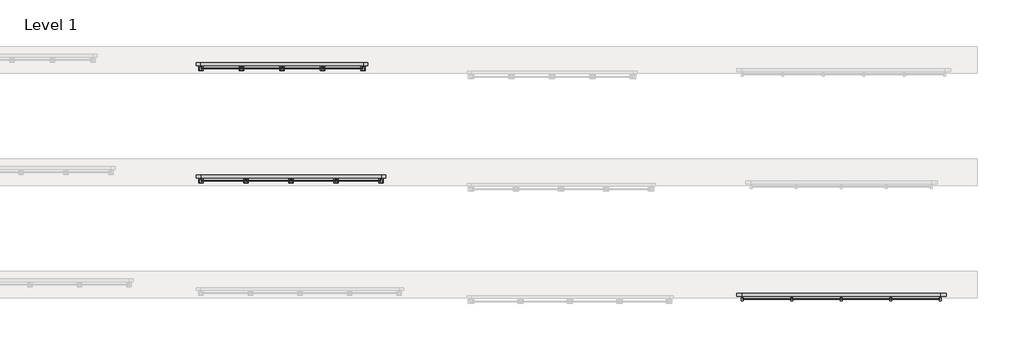
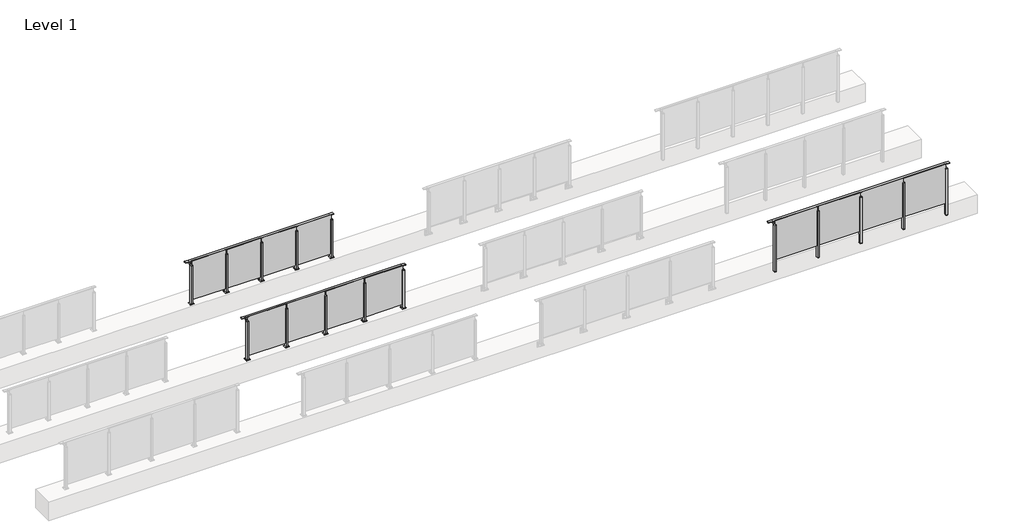
# One storey, part 32 of 37: 3 railings.
"""IFC4 building model written with IfcOpenShell, lengths in millimetres."""

import ifcopenshell
import ifcopenshell.guid

model = None  # the IFC model being written
_history = None  # IfcOwnerHistory: only IFC2X3 demands one
_inside = {}  # id of a spatial element -> (the spatial element, [elements in it])
_under = {}  # id of a project, library or spatial element -> (it, [spatial elements below it])
_declared = {}  # id of a project -> (the project, [libraries it declares])
_typed = {}  # id of a type object -> (the type object, [elements of that type])
_made_of = {}  # id of a material, layer set ... -> (it, [elements and type objects made of it])


def new_model(schema):
    """Start an empty IFC model of exactly this schema.

    Asked for "IFC4X3", IfcOpenShell would pick the latest addendum, in which some entities
    have other attributes; the version numbers below select the first issue.
    IFC2X3 requires an IfcOwnerHistory on every rooted entity: one is made here for all.
    """
    global model, _history
    if schema == "IFC4X3":
        model = ifcopenshell.file(schema_version=(4, 3, 0, 0))
    else:
        model = ifcopenshell.file(schema=schema)
    _inside.clear()
    _under.clear()
    _declared.clear()
    _typed.clear()
    _made_of.clear()
    _history = None
    if model.schema == "IFC2X3":
        org = make("IfcOrganization", Name="unknown")
        user = make(
            "IfcPersonAndOrganization",
            ThePerson=make("IfcPerson", FamilyName="unknown"),
            TheOrganization=org,
        )
        app = make(
            "IfcApplication",
            ApplicationDeveloper=org,
            Version="unknown",
            ApplicationFullName="unknown",
            ApplicationIdentifier="unknown",
        )
        _history = make(
            "IfcOwnerHistory",
            OwningUser=user,
            OwningApplication=app,
            ChangeAction="ADDED",
            CreationDate=0,
        )
    return model


def make(cls, **values):
    """One entity of the class cls with the attributes given. An attribute that is None is left unset."""
    return model.create_entity(
        cls, **{name: value for name, value in values.items() if value is not None}
    )


def rooted(cls, **values):
    """An entity with a GlobalId (a new one), such as an element, a storey or a relation."""
    return make(cls, GlobalId=ifcopenshell.guid.new(), OwnerHistory=_history, **values)


def si_unit(unit_type, name, prefix=None):
    """IfcSIUnit, for example si_unit("LENGTHUNIT", "METRE", prefix="MILLI")."""
    return make("IfcSIUnit", UnitType=unit_type, Prefix=prefix, Name=name)


def assignment(units):
    """IfcUnitAssignment: the units of a project."""
    return None if units is None else make("IfcUnitAssignment", Units=units)


def point(xyz):
    """IfcCartesianPoint."""
    return None if xyz is None else make("IfcCartesianPoint", Coordinates=xyz)


def direction(xyz):
    """IfcDirection."""
    return None if xyz is None else make("IfcDirection", DirectionRatios=xyz)


def frame(location, z_axis=None, x_axis=None):
    """IfcAxis2Placement3D, a coordinate frame: its origin and axes. An axis left out is left unset."""
    return make(
        "IfcAxis2Placement3D",
        Location=point(location),
        Axis=direction(z_axis),
        RefDirection=direction(x_axis),
    )


def frame_2d(location, x_axis=None):
    """IfcAxis2Placement2D, a coordinate frame in the plane: its origin and x axis."""
    return make(
        "IfcAxis2Placement2D", Location=point(location), RefDirection=direction(x_axis)
    )


def origin():
    """The frame at (0, 0, 0) with its axes left unset."""
    return frame((0.0, 0.0, 0.0))


def origin_with_axes():
    """The frame at (0, 0, 0) with the z axis (0, 0, 1) and the x axis (1, 0, 0) written out."""
    return frame((0.0, 0.0, 0.0), z_axis=(0.0, 0.0, 1.0), x_axis=(1.0, 0.0, 0.0))


def place(relative_to, where):
    """IfcLocalPlacement: puts the frame where relative to a parent placement (None: the world)."""
    return make(
        "IfcLocalPlacement", PlacementRelTo=relative_to, RelativePlacement=where
    )


def context(
    kind, dimensions, precision=None, world=None, true_north=None, identifier=None
):
    """IfcGeometricRepresentationContext, for example the 3D "Model" context."""
    return make(
        "IfcGeometricRepresentationContext",
        ContextIdentifier=identifier,
        ContextType=kind,
        CoordinateSpaceDimension=dimensions,
        Precision=precision,
        WorldCoordinateSystem=world,
        TrueNorth=true_north,
    )


def project(units=None, contexts=None):
    """IfcProject with its units and contexts."""
    return rooted(
        "IfcProject",
        Name="project",
        RepresentationContexts=contexts,
        UnitsInContext=assignment(units),
    )


def spatial(cls, under=None, at=None, **own):
    """A site, building, storey or space (cls), placed at a placement, below another one or the project."""
    s = rooted(cls, ObjectPlacement=at, **own)
    if under is not None:
        _under.setdefault(under.id(), (under, []))[1].append(s)
    return s


def polyline(points):
    """IfcPolyline through the points."""
    return make("IfcPolyline", Points=[point(p) for p in points])


def circle_curve(where, radius):
    """IfcCircle in the frame where."""
    return make("IfcCircle", Position=where, Radius=radius)


def trimmed(basis, trim1, trim2, sense, master):
    """IfcTrimmedCurve: the piece of a basis curve between two trims."""
    return make(
        "IfcTrimmedCurve",
        BasisCurve=basis,
        Trim1=trim1,
        Trim2=trim2,
        SenseAgreement=sense,
        MasterRepresentation=master,
    )


def segment(curve, same_sense, transition):
    """IfcCompositeCurveSegment."""
    return make(
        "IfcCompositeCurveSegment",
        Transition=transition,
        SameSense=same_sense,
        ParentCurve=curve,
    )


def composite_curve(segments, self_intersect=None):
    """IfcCompositeCurve: segments joined end to end."""
    return make("IfcCompositeCurve", Segments=segments, SelfIntersect=self_intersect)


def outline(outer, holes=None, kind="AREA"):
    """IfcArbitraryClosedProfileDef: a profile drawn as a closed curve; with holes, ...WithVoids."""
    if holes is None:
        return make("IfcArbitraryClosedProfileDef", ProfileType=kind, OuterCurve=outer)
    return make(
        "IfcArbitraryProfileDefWithVoids",
        ProfileType=kind,
        OuterCurve=outer,
        InnerCurves=holes,
    )


def extrude(swept, where, along, depth):
    """IfcExtrudedAreaSolid: the profile swept, set in the frame where, extruded along a direction by depth."""
    return make(
        "IfcExtrudedAreaSolid",
        SweptArea=swept,
        Position=where,
        ExtrudedDirection=direction(along),
        Depth=depth,
    )


def faces_of(points, faces, orient=None, outer=None):
    """IfcFace entities. A face is a list of loops; a loop is a list of indices into points, from 0.

    orient and outer hold one flag for each loop. By default every Orientation is true, the
    first loop of a face is its IfcFaceOuterBound and the others are IfcFaceBound.
    """
    made = []
    for i, loops in enumerate(faces):
        bounds = []
        for j, loop in enumerate(loops):
            is_outer = j == 0 if outer is None else outer[i][j]
            bounds.append(
                make(
                    "IfcFaceOuterBound" if is_outer else "IfcFaceBound",
                    Bound=make("IfcPolyLoop", Polygon=[points[k] for k in loop]),
                    Orientation=True if orient is None else orient[i][j],
                )
            )
        made.append(make("IfcFace", Bounds=bounds))
    return made


def faceted_brep(points, faces, orient=None, outer=None, voids=None):
    """IfcFacetedBrep: a solid bounded by flat faces; with voids (closed shells), ...WithVoids."""
    shared = [point(p) for p in points]
    hull = make("IfcClosedShell", CfsFaces=faces_of(shared, faces, orient, outer))
    if voids is None:
        return make("IfcFacetedBrep", Outer=hull)
    return make(
        "IfcFacetedBrepWithVoids",
        Outer=hull,
        Voids=[
            make(cls, CfsFaces=faces_of(shared, fs, o, b)) for cls, fs, o, b in voids
        ],
    )


def shape(context_of_items, identifier, shape_type, items):
    """IfcShapeRepresentation: the items that make up one representation, for example the "Body"."""
    return make(
        "IfcShapeRepresentation",
        ContextOfItems=context_of_items,
        RepresentationIdentifier=identifier,
        RepresentationType=shape_type,
        Items=items,
    )


def made_of(thing, what):
    """Note that an element or type object is made of a material, layer set ...; save() writes the relation."""
    if what is not None:
        _made_of.setdefault(what.id(), (what, []))[1].append(thing)
    return thing


def element(
    cls,
    number,
    at=None,
    inside=None,
    cuts=None,
    type_object=None,
    material=None,
    context=None,
    identifier="Body",
    shape_type=None,
    held_by="IfcProductDefinitionShape",
    body=None,
    shapes=None,
    **own,
):
    """One element of the class cls, such as IfcWall. Its Tag is "e" and its number.

    at: its placement. inside: the storey or other place that contains it. cuts: it is an
    opening in that element (IfcRelVoidsElement). A single representation is given by context,
    identifier, shape_type and body (its items); several are given by shapes. held_by: the class
    of the entity that holds the representations. save() writes the other relations.
    """
    e = rooted(cls, Tag="e%d" % number, ObjectPlacement=at, **own)
    if body is not None:
        shapes = [shape(context, identifier, shape_type, body)]
    if shapes is not None:
        e.Representation = make(held_by, Representations=shapes)
    if inside is not None:
        _inside.setdefault(inside.id(), (inside, []))[1].append(e)
    if cuts is not None:
        rooted(
            "IfcRelVoidsElement", RelatingBuildingElement=cuts, RelatedOpeningElement=e
        )
    if type_object is not None:
        _typed.setdefault(type_object.id(), (type_object, []))[1].append(e)
    return made_of(e, material)


def aggregate(whole, parts):
    """IfcRelAggregates: a whole, such as a stair, and the parts it consists of."""
    return rooted("IfcRelAggregates", RelatingObject=whole, RelatedObjects=parts)


def save(model, path):
    """Write the relations noted so far, then the file.

    IfcRelAggregates (storeys below a building ...), IfcRelContainedInSpatialStructure (elements
    in a storey), IfcRelDefinesByType, IfcRelAssociatesMaterial and IfcRelDeclares: one each for
    every whole, place, type object, material and project.
    """
    for whole, parts in _under.values():
        aggregate(whole, parts)
    for where, things in _inside.values():
        rooted(
            "IfcRelContainedInSpatialStructure",
            RelatedElements=things,
            RelatingStructure=where,
        )
    for kind, things in _typed.values():
        rooted("IfcRelDefinesByType", RelatedObjects=things, RelatingType=kind)
    for what, things in _made_of.values():
        rooted("IfcRelAssociatesMaterial", RelatedObjects=things, RelatingMaterial=what)
    for by, libraries in _declared.values():
        rooted("IfcRelDeclares", RelatingContext=by, RelatedDefinitions=libraries)
    model.write(path)


model = new_model("IFC4")

# Units and contexts
model_context = context("Model", 3, world=origin())
ifc_project = project(units=[si_unit("LENGTHUNIT", "METRE", prefix="MILLI")], contexts=[model_context])

# Site, building, storey
site = spatial("IfcSite", under=ifc_project)
building = spatial("IfcBuilding", under=site)
storey = spatial("IfcBuildingStorey", under=building, Name="Level 1", Elevation=0.0)

# Railings
placement = place(None, origin())
element("IfcRailing", 1, at=placement, inside=storey, context=model_context, shape_type="SolidModel", body=[
    faceted_brep([(78027.0, 14993.1846828, 1085.0), (78027.0, 14993.1846828, 1100.0), (82427.0, 14993.1846828, 1100.0), (82427.0, 14993.1846828, 1085.0), (78027.0, 14933.1846828, 1085.0), (82427.0, 14933.1846828, 1085.0), (78027.0, 14933.1846828, 1100.0), (82427.0, 14933.1846828, 1100.0), (77899.5, 14993.1846828, 1100.0), (77899.5, 14993.1846828, 1085.0), (77899.5, 14933.1846828, 1085.0), (77899.5, 14933.1846828, 1100.0), (82554.5, 14993.1846828, 1100.0), (82554.5, 14933.1846828, 1100.0), (82554.5, 14933.1846828, 1085.0), (82554.5, 14993.1846828, 1085.0)], [[[0, 1, 2, 3]], [[4, 0, 3, 5]], [[6, 4, 5, 7]], [[1, 6, 7, 2]], [[8, 9, 10, 11]], [[9, 8, 1, 0]], [[10, 9, 0, 4]], [[11, 10, 4, 6]], [[8, 11, 6, 1]], [[12, 13, 14, 15]], [[3, 2, 12, 15]], [[5, 3, 15, 14]], [[7, 5, 14, 13]], [[2, 7, 13, 12]]]),
    extrude(outline(polyline([(81337.0, 14861.9094929), (81337.0, 14871.9094929), (82417.0, 14871.9094929), (82417.0, 14861.9094929), (81337.0, 14861.9094929)])), frame((0.0, 0.0, 95.0), z_axis=(0.0, 0.0, 1.0), x_axis=(1.0, 0.0, 0.0)), (0.0, 0.0, 1.0), 1055.0),
    extrude(outline(composite_curve([segment(polyline([(14988.1846828, 1085.0), (14988.1846828, 1060.900037)]), True, "CONTINUOUS"), segment(trimmed(circle_curve(frame_2d((14978.1846828, 1060.900037)), 10.0), [point((14988.1846828, 1060.900037))], [point((14980.7728733, 1051.2407787))], False, "CARTESIAN"), True, "CONTINUOUS"), segment(polyline([(14980.7728733, 1051.2407787), (14923.7244733, 1035.9547061)]), True, "CONTINUOUS"), segment(trimmed(circle_curve(frame_2d((14926.3126638, 1026.2954478)), 10.0), [point((14923.7244733, 1035.9547061))], [point((14916.3982152, 1027.6007097))], True, "CARTESIAN"), True, "CONTINUOUS"), segment(polyline([(14916.3982152, 1027.6007097), (14911.791393, 992.6084214)]), True, "CONTINUOUS"), segment(trimmed(circle_curve(frame_2d((14908.8170584, 993.0)), 3.0), [point((14911.791393, 992.6084214))], [point((14908.8170584, 990.0))], False, "CARTESIAN"), True, "CONTINUOUS"), segment(polyline([(14908.8170584, 990.0), (14900.1846828, 990.0), (14900.1846828, 1040.0), (14964.1846828, 1057.1487483), (14964.1846828, 1085.0), (14988.1846828, 1085.0)]), True, "CONTINUOUS")], self_intersect=False)), frame((81314.5, 0.0, 0.0), z_axis=(1.0, 0.0, 0.0), x_axis=(0.0, 1.0, 0.0)), (0.0, 0.0, 1.0), 25.0),
    extrude(outline(polyline([(81349.5, 14900.1846828), (81349.5, 14835.1846828), (81304.5, 14835.1846828), (81304.5, 14900.1846828), (81349.5, 14900.1846828)])), frame((0.0, 0.0, 1040.0), z_axis=(0.0, 0.0, 1.0), x_axis=(1.0, 0.0, 0.0)), (0.0, 0.0, 1.0), 5.0),
    extrude(outline(polyline([(81349.5, 14900.1846828), (81349.5, 14835.1846828), (81304.5, 14835.1846828), (81304.5, 14900.1846828), (81349.5, 14900.1846828)])), frame((0.0, 0.0, -212.0), z_axis=(0.0, 0.0, 1.0), x_axis=(1.0, 0.0, 0.0)), (0.0, 0.0, 1.0), 1252.0),
    extrude(outline(polyline([(81349.5, 14900.1846828), (81349.5, 14835.1846828), (81304.5, 14835.1846828), (81304.5, 14900.1846828), (81349.5, 14900.1846828)])), frame((0.0, 0.0, -220.0), z_axis=(0.0, 0.0, 1.0), x_axis=(1.0, 0.0, 0.0)), (0.0, 0.0, 1.0), 8.0),
    extrude(outline(polyline([(80237.0, 14861.9094929), (80237.0, 14871.9094929), (81317.0, 14871.9094929), (81317.0, 14861.9094929), (80237.0, 14861.9094929)])), frame((0.0, 0.0, 95.0), z_axis=(0.0, 0.0, 1.0), x_axis=(1.0, 0.0, 0.0)), (0.0, 0.0, 1.0), 1055.0),
    extrude(outline(composite_curve([segment(polyline([(14988.1846828, 1085.0), (14988.1846828, 1060.900037)]), True, "CONTINUOUS"), segment(trimmed(circle_curve(frame_2d((14978.1846828, 1060.900037)), 10.0), [point((14988.1846828, 1060.900037))], [point((14980.7728733, 1051.2407787))], False, "CARTESIAN"), True, "CONTINUOUS"), segment(polyline([(14980.7728733, 1051.2407787), (14923.7244733, 1035.9547061)]), True, "CONTINUOUS"), segment(trimmed(circle_curve(frame_2d((14926.3126638, 1026.2954478)), 10.0), [point((14923.7244733, 1035.9547061))], [point((14916.3982152, 1027.6007097))], True, "CARTESIAN"), True, "CONTINUOUS"), segment(polyline([(14916.3982152, 1027.6007097), (14911.791393, 992.6084214)]), True, "CONTINUOUS"), segment(trimmed(circle_curve(frame_2d((14908.8170584, 993.0)), 3.0), [point((14911.791393, 992.6084214))], [point((14908.8170584, 990.0))], False, "CARTESIAN"), True, "CONTINUOUS"), segment(polyline([(14908.8170584, 990.0), (14900.1846828, 990.0), (14900.1846828, 1040.0), (14964.1846828, 1057.1487483), (14964.1846828, 1085.0), (14988.1846828, 1085.0)]), True, "CONTINUOUS")], self_intersect=False)), frame((80214.5, 0.0, 0.0), z_axis=(1.0, 0.0, 0.0), x_axis=(0.0, 1.0, 0.0)), (0.0, 0.0, 1.0), 25.0),
    extrude(outline(polyline([(80249.5, 14900.1846828), (80249.5, 14835.1846828), (80204.5, 14835.1846828), (80204.5, 14900.1846828), (80249.5, 14900.1846828)])), frame((0.0, 0.0, 1040.0), z_axis=(0.0, 0.0, 1.0), x_axis=(1.0, 0.0, 0.0)), (0.0, 0.0, 1.0), 5.0),
    extrude(outline(polyline([(80249.5, 14900.1846828), (80249.5, 14835.1846828), (80204.5, 14835.1846828), (80204.5, 14900.1846828), (80249.5, 14900.1846828)])), frame((0.0, 0.0, -212.0), z_axis=(0.0, 0.0, 1.0), x_axis=(1.0, 0.0, 0.0)), (0.0, 0.0, 1.0), 1252.0),
    extrude(outline(polyline([(80249.5, 14900.1846828), (80249.5, 14835.1846828), (80204.5, 14835.1846828), (80204.5, 14900.1846828), (80249.5, 14900.1846828)])), frame((0.0, 0.0, -220.0), z_axis=(0.0, 0.0, 1.0), x_axis=(1.0, 0.0, 0.0)), (0.0, 0.0, 1.0), 8.0),
    extrude(outline(polyline([(79137.0, 14861.9094929), (79137.0, 14871.9094929), (80217.0, 14871.9094929), (80217.0, 14861.9094929), (79137.0, 14861.9094929)])), frame((0.0, 0.0, 95.0), z_axis=(0.0, 0.0, 1.0), x_axis=(1.0, 0.0, 0.0)), (0.0, 0.0, 1.0), 1055.0),
    extrude(outline(composite_curve([segment(polyline([(14988.1846828, 1085.0), (14988.1846828, 1060.900037)]), True, "CONTINUOUS"), segment(trimmed(circle_curve(frame_2d((14978.1846828, 1060.900037)), 10.0), [point((14988.1846828, 1060.900037))], [point((14980.7728733, 1051.2407787))], False, "CARTESIAN"), True, "CONTINUOUS"), segment(polyline([(14980.7728733, 1051.2407787), (14923.7244733, 1035.9547061)]), True, "CONTINUOUS"), segment(trimmed(circle_curve(frame_2d((14926.3126638, 1026.2954478)), 10.0), [point((14923.7244733, 1035.9547061))], [point((14916.3982152, 1027.6007097))], True, "CARTESIAN"), True, "CONTINUOUS"), segment(polyline([(14916.3982152, 1027.6007097), (14911.791393, 992.6084214)]), True, "CONTINUOUS"), segment(trimmed(circle_curve(frame_2d((14908.8170584, 993.0)), 3.0), [point((14911.791393, 992.6084214))], [point((14908.8170584, 990.0))], False, "CARTESIAN"), True, "CONTINUOUS"), segment(polyline([(14908.8170584, 990.0), (14900.1846828, 990.0), (14900.1846828, 1040.0), (14964.1846828, 1057.1487483), (14964.1846828, 1085.0), (14988.1846828, 1085.0)]), True, "CONTINUOUS")], self_intersect=False)), frame((79114.5, 0.0, 0.0), z_axis=(1.0, 0.0, 0.0), x_axis=(0.0, 1.0, 0.0)), (0.0, 0.0, 1.0), 25.0),
    extrude(outline(polyline([(79149.5, 14900.1846828), (79149.5, 14835.1846828), (79104.5, 14835.1846828), (79104.5, 14900.1846828), (79149.5, 14900.1846828)])), frame((0.0, 0.0, 1040.0), z_axis=(0.0, 0.0, 1.0), x_axis=(1.0, 0.0, 0.0)), (0.0, 0.0, 1.0), 5.0),
    extrude(outline(polyline([(79149.5, 14900.1846828), (79149.5, 14835.1846828), (79104.5, 14835.1846828), (79104.5, 14900.1846828), (79149.5, 14900.1846828)])), frame((0.0, 0.0, -212.0), z_axis=(0.0, 0.0, 1.0), x_axis=(1.0, 0.0, 0.0)), (0.0, 0.0, 1.0), 1252.0),
    extrude(outline(polyline([(79149.5, 14900.1846828), (79149.5, 14835.1846828), (79104.5, 14835.1846828), (79104.5, 14900.1846828), (79149.5, 14900.1846828)])), frame((0.0, 0.0, -220.0), z_axis=(0.0, 0.0, 1.0), x_axis=(1.0, 0.0, 0.0)), (0.0, 0.0, 1.0), 8.0),
    extrude(outline(polyline([(78037.0, 14861.9094929), (78037.0, 14871.9094929), (79117.0, 14871.9094929), (79117.0, 14861.9094929), (78037.0, 14861.9094929)])), frame((0.0, 0.0, 95.0), z_axis=(0.0, 0.0, 1.0), x_axis=(1.0, 0.0, 0.0)), (0.0, 0.0, 1.0), 1055.0),
    extrude(outline(composite_curve([segment(polyline([(14988.1846828, 1085.0), (14988.1846828, 1060.900037)]), True, "CONTINUOUS"), segment(trimmed(circle_curve(frame_2d((14978.1846828, 1060.900037)), 10.0), [point((14988.1846828, 1060.900037))], [point((14980.7728733, 1051.2407787))], False, "CARTESIAN"), True, "CONTINUOUS"), segment(polyline([(14980.7728733, 1051.2407787), (14923.7244733, 1035.9547061)]), True, "CONTINUOUS"), segment(trimmed(circle_curve(frame_2d((14926.3126638, 1026.2954478)), 10.0), [point((14923.7244733, 1035.9547061))], [point((14916.3982152, 1027.6007097))], True, "CARTESIAN"), True, "CONTINUOUS"), segment(polyline([(14916.3982152, 1027.6007097), (14911.791393, 992.6084214)]), True, "CONTINUOUS"), segment(trimmed(circle_curve(frame_2d((14908.8170584, 993.0)), 3.0), [point((14911.791393, 992.6084214))], [point((14908.8170584, 990.0))], False, "CARTESIAN"), True, "CONTINUOUS"), segment(polyline([(14908.8170584, 990.0), (14900.1846828, 990.0), (14900.1846828, 1040.0), (14964.1846828, 1057.1487483), (14964.1846828, 1085.0), (14988.1846828, 1085.0)]), True, "CONTINUOUS")], self_intersect=False)), frame((82414.5, 0.0, 0.0), z_axis=(1.0, 0.0, 0.0), x_axis=(0.0, 1.0, 0.0)), (0.0, 0.0, 1.0), 25.0),
    extrude(outline(polyline([(82449.5, 14900.1846828), (82449.5, 14835.1846828), (82404.5, 14835.1846828), (82404.5, 14900.1846828), (82449.5, 14900.1846828)])), frame((0.0, 0.0, 1040.0), z_axis=(0.0, 0.0, 1.0), x_axis=(1.0, 0.0, 0.0)), (0.0, 0.0, 1.0), 5.0),
    extrude(outline(polyline([(82449.5, 14900.1846828), (82449.5, 14835.1846828), (82404.5, 14835.1846828), (82404.5, 14900.1846828), (82449.5, 14900.1846828)])), frame((0.0, 0.0, -212.0), z_axis=(0.0, 0.0, 1.0), x_axis=(1.0, 0.0, 0.0)), (0.0, 0.0, 1.0), 1252.0),
    extrude(outline(polyline([(82449.5, 14900.1846828), (82449.5, 14835.1846828), (82404.5, 14835.1846828), (82404.5, 14900.1846828), (82449.5, 14900.1846828)])), frame((0.0, 0.0, -220.0), z_axis=(0.0, 0.0, 1.0), x_axis=(1.0, 0.0, 0.0)), (0.0, 0.0, 1.0), 8.0),
    extrude(outline(composite_curve([segment(polyline([(14988.1846828, 1085.0), (14988.1846828, 1060.900037)]), True, "CONTINUOUS"), segment(trimmed(circle_curve(frame_2d((14978.1846828, 1060.900037)), 10.0), [point((14988.1846828, 1060.900037))], [point((14980.7728733, 1051.2407787))], False, "CARTESIAN"), True, "CONTINUOUS"), segment(polyline([(14980.7728733, 1051.2407787), (14923.7244733, 1035.9547061)]), True, "CONTINUOUS"), segment(trimmed(circle_curve(frame_2d((14926.3126638, 1026.2954478)), 10.0), [point((14923.7244733, 1035.9547061))], [point((14916.3982152, 1027.6007097))], True, "CARTESIAN"), True, "CONTINUOUS"), segment(polyline([(14916.3982152, 1027.6007097), (14911.791393, 992.6084214)]), True, "CONTINUOUS"), segment(trimmed(circle_curve(frame_2d((14908.8170584, 993.0)), 3.0), [point((14911.791393, 992.6084214))], [point((14908.8170584, 990.0))], False, "CARTESIAN"), True, "CONTINUOUS"), segment(polyline([(14908.8170584, 990.0), (14900.1846828, 990.0), (14900.1846828, 1040.0), (14964.1846828, 1057.1487483), (14964.1846828, 1085.0), (14988.1846828, 1085.0)]), True, "CONTINUOUS")], self_intersect=False)), frame((78014.5, 0.0, 0.0), z_axis=(1.0, 0.0, 0.0), x_axis=(0.0, 1.0, 0.0)), (0.0, 0.0, 1.0), 25.0),
    extrude(outline(polyline([(78049.5, 14900.1846828), (78049.5, 14835.1846828), (78004.5, 14835.1846828), (78004.5, 14900.1846828), (78049.5, 14900.1846828)])), frame((0.0, 0.0, 1040.0), z_axis=(0.0, 0.0, 1.0), x_axis=(1.0, 0.0, 0.0)), (0.0, 0.0, 1.0), 5.0),
    extrude(outline(polyline([(78049.5, 14900.1846828), (78049.5, 14835.1846828), (78004.5, 14835.1846828), (78004.5, 14900.1846828), (78049.5, 14900.1846828)])), frame((0.0, 0.0, -212.0), z_axis=(0.0, 0.0, 1.0), x_axis=(1.0, 0.0, 0.0)), (0.0, 0.0, 1.0), 1252.0),
    extrude(outline(polyline([(78049.5, 14900.1846828), (78049.5, 14835.1846828), (78004.5, 14835.1846828), (78004.5, 14900.1846828), (78049.5, 14900.1846828)])), frame((0.0, 0.0, -220.0), z_axis=(0.0, 0.0, 1.0), x_axis=(1.0, 0.0, 0.0)), (0.0, 0.0, 1.0), 8.0),
])
element("IfcRailing", 2, at=placement, inside=storey, context=model_context, shape_type="SolidModel", body=[
    faceted_brep([(65900.0, 17625.6846828, 1100.0), (65900.0, 17625.6846828, 1085.0), (65900.0, 17565.6846828, 1085.0), (65900.0, 17565.6846828, 1100.0), (66000.0, 17625.6846828, 1100.0), (66000.0, 17625.6846828, 1085.0), (66000.0, 17565.6846828, 1085.0), (66000.0, 17565.6846828, 1100.0), (70000.0, 17625.6846828, 1100.0), (70000.0, 17625.6846828, 1085.0), (70000.0, 17565.6846828, 1085.0), (70000.0, 17565.6846828, 1100.0), (70100.0, 17625.6846828, 1100.0), (70100.0, 17565.6846828, 1100.0), (70100.0, 17565.6846828, 1085.0), (70100.0, 17625.6846828, 1085.0)], [[[0, 1, 2, 3]], [[1, 0, 4, 5]], [[2, 1, 5, 6]], [[3, 2, 6, 7]], [[0, 3, 7, 4]], [[5, 4, 8, 9]], [[6, 5, 9, 10]], [[7, 6, 10, 11]], [[4, 7, 11, 8]], [[12, 13, 14, 15]], [[9, 8, 12, 15]], [[10, 9, 15, 14]], [[11, 10, 14, 13]], [[8, 11, 13, 12]]]),
    extrude(outline(polyline([(69010.0, 17499.4094929), (69010.0, 17509.4094929), (69990.0, 17509.4094929), (69990.0, 17499.4094929), (69010.0, 17499.4094929)])), frame((0.0, 0.0, 95.0), z_axis=(0.0, 0.0, 1.0), x_axis=(1.0, 0.0, 0.0)), (0.0, 0.0, 1.0), 1055.0),
    extrude(outline(composite_curve([segment(polyline([(17620.6846828, 1085.0), (17620.6846828, 1060.900037)]), True, "CONTINUOUS"), segment(trimmed(circle_curve(frame_2d((17610.6846828, 1060.900037)), 10.0), [point((17620.6846828, 1060.900037))], [point((17613.2728733, 1051.2407787))], False, "CARTESIAN"), True, "CONTINUOUS"), segment(polyline([(17613.2728733, 1051.2407787), (17556.2244733, 1035.9547061)]), True, "CONTINUOUS"), segment(trimmed(circle_curve(frame_2d((17558.8126638, 1026.2954478)), 10.0), [point((17556.2244733, 1035.9547061))], [point((17548.8982152, 1027.6007097))], True, "CARTESIAN"), True, "CONTINUOUS"), segment(polyline([(17548.8982152, 1027.6007097), (17544.291393, 992.6084214)]), True, "CONTINUOUS"), segment(trimmed(circle_curve(frame_2d((17541.3170584, 993.0)), 3.0), [point((17544.291393, 992.6084214))], [point((17541.3170584, 990.0))], False, "CARTESIAN"), True, "CONTINUOUS"), segment(polyline([(17541.3170584, 990.0), (17532.6846828, 990.0), (17532.6846828, 1040.0), (17596.6846828, 1057.1487483), (17596.6846828, 1085.0), (17620.6846828, 1085.0)]), True, "CONTINUOUS")], self_intersect=False)), frame((68987.5, 0.0, 0.0), z_axis=(1.0, 0.0, 0.0), x_axis=(0.0, 1.0, 0.0)), (0.0, 0.0, 1.0), 25.0),
    extrude(outline(polyline([(69022.5, 17532.6846828), (69022.5, 17467.6846828), (68977.5, 17467.6846828), (68977.5, 17532.6846828), (69022.5, 17532.6846828)])), frame((0.0, 0.0, 1040.0), z_axis=(0.0, 0.0, 1.0), x_axis=(1.0, 0.0, 0.0)), (0.0, 0.0, 1.0), 5.0),
    extrude(outline(polyline([(69050.0, 17550.1846828), (69050.0, 17450.1846828), (68950.0, 17450.1846828), (68950.0, 17550.1846828), (69050.0, 17550.1846828)])), origin_with_axes(), (0.0, 0.0, 1.0), 12.0),
    extrude(outline(polyline([(69022.5, 17532.6846828), (69022.5, 17467.6846828), (68977.5, 17467.6846828), (68977.5, 17532.6846828), (69022.5, 17532.6846828)])), frame((0.0, 0.0, 12.0), z_axis=(0.0, 0.0, 1.0), x_axis=(1.0, 0.0, 0.0)), (0.0, 0.0, 1.0), 1028.0),
    extrude(outline(polyline([(68010.0, 17499.4094929), (68010.0, 17509.4094929), (68990.0, 17509.4094929), (68990.0, 17499.4094929), (68010.0, 17499.4094929)])), frame((0.0, 0.0, 95.0), z_axis=(0.0, 0.0, 1.0), x_axis=(1.0, 0.0, 0.0)), (0.0, 0.0, 1.0), 1055.0),
    extrude(outline(composite_curve([segment(polyline([(17620.6846828, 1085.0), (17620.6846828, 1060.900037)]), True, "CONTINUOUS"), segment(trimmed(circle_curve(frame_2d((17610.6846828, 1060.900037)), 10.0), [point((17620.6846828, 1060.900037))], [point((17613.2728733, 1051.2407787))], False, "CARTESIAN"), True, "CONTINUOUS"), segment(polyline([(17613.2728733, 1051.2407787), (17556.2244733, 1035.9547061)]), True, "CONTINUOUS"), segment(trimmed(circle_curve(frame_2d((17558.8126638, 1026.2954478)), 10.0), [point((17556.2244733, 1035.9547061))], [point((17548.8982152, 1027.6007097))], True, "CARTESIAN"), True, "CONTINUOUS"), segment(polyline([(17548.8982152, 1027.6007097), (17544.291393, 992.6084214)]), True, "CONTINUOUS"), segment(trimmed(circle_curve(frame_2d((17541.3170584, 993.0)), 3.0), [point((17544.291393, 992.6084214))], [point((17541.3170584, 990.0))], False, "CARTESIAN"), True, "CONTINUOUS"), segment(polyline([(17541.3170584, 990.0), (17532.6846828, 990.0), (17532.6846828, 1040.0), (17596.6846828, 1057.1487483), (17596.6846828, 1085.0), (17620.6846828, 1085.0)]), True, "CONTINUOUS")], self_intersect=False)), frame((67987.5, 0.0, 0.0), z_axis=(1.0, 0.0, 0.0), x_axis=(0.0, 1.0, 0.0)), (0.0, 0.0, 1.0), 25.0),
    extrude(outline(polyline([(68022.5, 17532.6846828), (68022.5, 17467.6846828), (67977.5, 17467.6846828), (67977.5, 17532.6846828), (68022.5, 17532.6846828)])), frame((0.0, 0.0, 1040.0), z_axis=(0.0, 0.0, 1.0), x_axis=(1.0, 0.0, 0.0)), (0.0, 0.0, 1.0), 5.0),
    extrude(outline(polyline([(68050.0, 17550.1846828), (68050.0, 17450.1846828), (67950.0, 17450.1846828), (67950.0, 17550.1846828), (68050.0, 17550.1846828)])), origin_with_axes(), (0.0, 0.0, 1.0), 12.0),
    extrude(outline(polyline([(68022.5, 17532.6846828), (68022.5, 17467.6846828), (67977.5, 17467.6846828), (67977.5, 17532.6846828), (68022.5, 17532.6846828)])), frame((0.0, 0.0, 12.0), z_axis=(0.0, 0.0, 1.0), x_axis=(1.0, 0.0, 0.0)), (0.0, 0.0, 1.0), 1028.0),
    extrude(outline(polyline([(67010.0, 17499.4094929), (67010.0, 17509.4094929), (67990.0, 17509.4094929), (67990.0, 17499.4094929), (67010.0, 17499.4094929)])), frame((0.0, 0.0, 95.0), z_axis=(0.0, 0.0, 1.0), x_axis=(1.0, 0.0, 0.0)), (0.0, 0.0, 1.0), 1055.0),
    extrude(outline(composite_curve([segment(polyline([(17620.6846828, 1085.0), (17620.6846828, 1060.900037)]), True, "CONTINUOUS"), segment(trimmed(circle_curve(frame_2d((17610.6846828, 1060.900037)), 10.0), [point((17620.6846828, 1060.900037))], [point((17613.2728733, 1051.2407787))], False, "CARTESIAN"), True, "CONTINUOUS"), segment(polyline([(17613.2728733, 1051.2407787), (17556.2244733, 1035.9547061)]), True, "CONTINUOUS"), segment(trimmed(circle_curve(frame_2d((17558.8126638, 1026.2954478)), 10.0), [point((17556.2244733, 1035.9547061))], [point((17548.8982152, 1027.6007097))], True, "CARTESIAN"), True, "CONTINUOUS"), segment(polyline([(17548.8982152, 1027.6007097), (17544.291393, 992.6084214)]), True, "CONTINUOUS"), segment(trimmed(circle_curve(frame_2d((17541.3170584, 993.0)), 3.0), [point((17544.291393, 992.6084214))], [point((17541.3170584, 990.0))], False, "CARTESIAN"), True, "CONTINUOUS"), segment(polyline([(17541.3170584, 990.0), (17532.6846828, 990.0), (17532.6846828, 1040.0), (17596.6846828, 1057.1487483), (17596.6846828, 1085.0), (17620.6846828, 1085.0)]), True, "CONTINUOUS")], self_intersect=False)), frame((66987.5, 0.0, 0.0), z_axis=(1.0, 0.0, 0.0), x_axis=(0.0, 1.0, 0.0)), (0.0, 0.0, 1.0), 25.0),
    extrude(outline(polyline([(67022.5, 17532.6846828), (67022.5, 17467.6846828), (66977.5, 17467.6846828), (66977.5, 17532.6846828), (67022.5, 17532.6846828)])), frame((0.0, 0.0, 1040.0), z_axis=(0.0, 0.0, 1.0), x_axis=(1.0, 0.0, 0.0)), (0.0, 0.0, 1.0), 5.0),
    extrude(outline(polyline([(67050.0, 17550.1846828), (67050.0, 17450.1846828), (66950.0, 17450.1846828), (66950.0, 17550.1846828), (67050.0, 17550.1846828)])), origin_with_axes(), (0.0, 0.0, 1.0), 12.0),
    extrude(outline(polyline([(67022.5, 17532.6846828), (67022.5, 17467.6846828), (66977.5, 17467.6846828), (66977.5, 17532.6846828), (67022.5, 17532.6846828)])), frame((0.0, 0.0, 12.0), z_axis=(0.0, 0.0, 1.0), x_axis=(1.0, 0.0, 0.0)), (0.0, 0.0, 1.0), 1028.0),
    extrude(outline(polyline([(66010.0, 17499.4094929), (66010.0, 17509.4094929), (66990.0, 17509.4094929), (66990.0, 17499.4094929), (66010.0, 17499.4094929)])), frame((0.0, 0.0, 95.0), z_axis=(0.0, 0.0, 1.0), x_axis=(1.0, 0.0, 0.0)), (0.0, 0.0, 1.0), 1055.0),
    extrude(outline(composite_curve([segment(polyline([(17620.6846828, 1085.0), (17620.6846828, 1060.900037)]), True, "CONTINUOUS"), segment(trimmed(circle_curve(frame_2d((17610.6846828, 1060.900037)), 10.0), [point((17620.6846828, 1060.900037))], [point((17613.2728733, 1051.2407787))], False, "CARTESIAN"), True, "CONTINUOUS"), segment(polyline([(17613.2728733, 1051.2407787), (17556.2244733, 1035.9547061)]), True, "CONTINUOUS"), segment(trimmed(circle_curve(frame_2d((17558.8126638, 1026.2954478)), 10.0), [point((17556.2244733, 1035.9547061))], [point((17548.8982152, 1027.6007097))], True, "CARTESIAN"), True, "CONTINUOUS"), segment(polyline([(17548.8982152, 1027.6007097), (17544.291393, 992.6084214)]), True, "CONTINUOUS"), segment(trimmed(circle_curve(frame_2d((17541.3170584, 993.0)), 3.0), [point((17544.291393, 992.6084214))], [point((17541.3170584, 990.0))], False, "CARTESIAN"), True, "CONTINUOUS"), segment(polyline([(17541.3170584, 990.0), (17532.6846828, 990.0), (17532.6846828, 1040.0), (17596.6846828, 1057.1487483), (17596.6846828, 1085.0), (17620.6846828, 1085.0)]), True, "CONTINUOUS")], self_intersect=False)), frame((69987.5, 0.0, 0.0), z_axis=(1.0, 0.0, 0.0), x_axis=(0.0, 1.0, 0.0)), (0.0, 0.0, 1.0), 25.0),
    extrude(outline(polyline([(70022.5, 17532.6846828), (70022.5, 17467.6846828), (69977.5, 17467.6846828), (69977.5, 17532.6846828), (70022.5, 17532.6846828)])), frame((0.0, 0.0, 1040.0), z_axis=(0.0, 0.0, 1.0), x_axis=(1.0, 0.0, 0.0)), (0.0, 0.0, 1.0), 5.0),
    extrude(outline(polyline([(70050.0, 17550.1846828), (70050.0, 17450.1846828), (69950.0, 17450.1846828), (69950.0, 17550.1846828), (70050.0, 17550.1846828)])), origin_with_axes(), (0.0, 0.0, 1.0), 12.0),
    extrude(outline(polyline([(70022.5, 17532.6846828), (70022.5, 17467.6846828), (69977.5, 17467.6846828), (69977.5, 17532.6846828), (70022.5, 17532.6846828)])), frame((0.0, 0.0, 12.0), z_axis=(0.0, 0.0, 1.0), x_axis=(1.0, 0.0, 0.0)), (0.0, 0.0, 1.0), 1028.0),
    extrude(outline(composite_curve([segment(polyline([(17620.6846828, 1085.0), (17620.6846828, 1060.900037)]), True, "CONTINUOUS"), segment(trimmed(circle_curve(frame_2d((17610.6846828, 1060.900037)), 10.0), [point((17620.6846828, 1060.900037))], [point((17613.2728733, 1051.2407787))], False, "CARTESIAN"), True, "CONTINUOUS"), segment(polyline([(17613.2728733, 1051.2407787), (17556.2244733, 1035.9547061)]), True, "CONTINUOUS"), segment(trimmed(circle_curve(frame_2d((17558.8126638, 1026.2954478)), 10.0), [point((17556.2244733, 1035.9547061))], [point((17548.8982152, 1027.6007097))], True, "CARTESIAN"), True, "CONTINUOUS"), segment(polyline([(17548.8982152, 1027.6007097), (17544.291393, 992.6084214)]), True, "CONTINUOUS"), segment(trimmed(circle_curve(frame_2d((17541.3170584, 993.0)), 3.0), [point((17544.291393, 992.6084214))], [point((17541.3170584, 990.0))], False, "CARTESIAN"), True, "CONTINUOUS"), segment(polyline([(17541.3170584, 990.0), (17532.6846828, 990.0), (17532.6846828, 1040.0), (17596.6846828, 1057.1487483), (17596.6846828, 1085.0), (17620.6846828, 1085.0)]), True, "CONTINUOUS")], self_intersect=False)), frame((65987.5, 0.0, 0.0), z_axis=(1.0, 0.0, 0.0), x_axis=(0.0, 1.0, 0.0)), (0.0, 0.0, 1.0), 25.0),
    extrude(outline(polyline([(66022.5, 17532.6846828), (66022.5, 17467.6846828), (65977.5, 17467.6846828), (65977.5, 17532.6846828), (66022.5, 17532.6846828)])), frame((0.0, 0.0, 1040.0), z_axis=(0.0, 0.0, 1.0), x_axis=(1.0, 0.0, 0.0)), (0.0, 0.0, 1.0), 5.0),
    extrude(outline(polyline([(66050.0, 17550.1846828), (66050.0, 17450.1846828), (65950.0, 17450.1846828), (65950.0, 17550.1846828), (66050.0, 17550.1846828)])), origin_with_axes(), (0.0, 0.0, 1.0), 12.0),
    extrude(outline(polyline([(66022.5, 17532.6846828), (66022.5, 17467.6846828), (65977.5, 17467.6846828), (65977.5, 17532.6846828), (66022.5, 17532.6846828)])), frame((0.0, 0.0, 12.0), z_axis=(0.0, 0.0, 1.0), x_axis=(1.0, 0.0, 0.0)), (0.0, 0.0, 1.0), 1028.0),
])
element("IfcRailing", 3, at=placement, inside=storey, context=model_context, shape_type="SolidModel", body=[
    faceted_brep([(66000.0, 20125.6846828, 1085.0), (66000.0, 20125.6846828, 1100.0), (69600.0, 20125.6846828, 1100.0), (69600.0, 20125.6846828, 1085.0), (66000.0, 20065.6846828, 1085.0), (69600.0, 20065.6846828, 1085.0), (66000.0, 20065.6846828, 1100.0), (69600.0, 20065.6846828, 1100.0), (65900.0, 20125.6846828, 1100.0), (65900.0, 20125.6846828, 1085.0), (65900.0, 20065.6846828, 1085.0), (65900.0, 20065.6846828, 1100.0), (69700.0, 20125.6846828, 1100.0), (69700.0, 20065.6846828, 1100.0), (69700.0, 20065.6846828, 1085.0), (69700.0, 20125.6846828, 1085.0)], [[[0, 1, 2, 3]], [[4, 0, 3, 5]], [[6, 4, 5, 7]], [[1, 6, 7, 2]], [[8, 9, 10, 11]], [[9, 8, 1, 0]], [[10, 9, 0, 4]], [[11, 10, 4, 6]], [[8, 11, 6, 1]], [[12, 13, 14, 15]], [[3, 2, 12, 15]], [[5, 3, 15, 14]], [[7, 5, 14, 13]], [[2, 7, 13, 12]]]),
    extrude(outline(polyline([(68710.0, 19994.4094929), (68710.0, 20004.4094929), (69590.0, 20004.4094929), (69590.0, 19994.4094929), (68710.0, 19994.4094929)])), frame((0.0, 0.0, 95.0), z_axis=(0.0, 0.0, 1.0), x_axis=(1.0, 0.0, 0.0)), (0.0, 0.0, 1.0), 1055.0),
    extrude(outline(composite_curve([segment(polyline([(20120.6846828, 1085.0), (20120.6846828, 1060.900037)]), True, "CONTINUOUS"), segment(trimmed(circle_curve(frame_2d((20110.6846828, 1060.900037)), 10.0), [point((20120.6846828, 1060.900037))], [point((20113.2728733, 1051.2407787))], False, "CARTESIAN"), True, "CONTINUOUS"), segment(polyline([(20113.2728733, 1051.2407787), (20056.2244733, 1035.9547061)]), True, "CONTINUOUS"), segment(trimmed(circle_curve(frame_2d((20058.8126638, 1026.2954478)), 10.0), [point((20056.2244733, 1035.9547061))], [point((20048.8982152, 1027.6007097))], True, "CARTESIAN"), True, "CONTINUOUS"), segment(polyline([(20048.8982152, 1027.6007097), (20044.291393, 992.6084214)]), True, "CONTINUOUS"), segment(trimmed(circle_curve(frame_2d((20041.3170584, 993.0)), 3.0), [point((20044.291393, 992.6084214))], [point((20041.3170584, 990.0))], False, "CARTESIAN"), True, "CONTINUOUS"), segment(polyline([(20041.3170584, 990.0), (20032.6846828, 990.0), (20032.6846828, 1040.0), (20096.6846828, 1057.1487483), (20096.6846828, 1085.0), (20120.6846828, 1085.0)]), True, "CONTINUOUS")], self_intersect=False)), frame((68687.5, 0.0, 0.0), z_axis=(1.0, 0.0, 0.0), x_axis=(0.0, 1.0, 0.0)), (0.0, 0.0, 1.0), 25.0),
    extrude(outline(polyline([(68722.5, 20032.6846828), (68722.5, 19967.6846828), (68677.5, 19967.6846828), (68677.5, 20032.6846828), (68722.5, 20032.6846828)])), frame((0.0, 0.0, 1040.0), z_axis=(0.0, 0.0, 1.0), x_axis=(1.0, 0.0, 0.0)), (0.0, 0.0, 1.0), 5.0),
    extrude(outline(polyline([(68750.0, 20050.1846828), (68750.0, 19950.1846828), (68650.0, 19950.1846828), (68650.0, 20050.1846828), (68750.0, 20050.1846828)])), origin_with_axes(), (0.0, 0.0, 1.0), 12.0),
    extrude(outline(polyline([(68722.5, 20032.6846828), (68722.5, 19967.6846828), (68677.5, 19967.6846828), (68677.5, 20032.6846828), (68722.5, 20032.6846828)])), frame((0.0, 0.0, 12.0), z_axis=(0.0, 0.0, 1.0), x_axis=(1.0, 0.0, 0.0)), (0.0, 0.0, 1.0), 1028.0),
    extrude(outline(polyline([(67810.0, 19994.4094929), (67810.0, 20004.4094929), (68690.0, 20004.4094929), (68690.0, 19994.4094929), (67810.0, 19994.4094929)])), frame((0.0, 0.0, 95.0), z_axis=(0.0, 0.0, 1.0), x_axis=(1.0, 0.0, 0.0)), (0.0, 0.0, 1.0), 1055.0),
    extrude(outline(composite_curve([segment(polyline([(20120.6846828, 1085.0), (20120.6846828, 1060.900037)]), True, "CONTINUOUS"), segment(trimmed(circle_curve(frame_2d((20110.6846828, 1060.900037)), 10.0), [point((20120.6846828, 1060.900037))], [point((20113.2728733, 1051.2407787))], False, "CARTESIAN"), True, "CONTINUOUS"), segment(polyline([(20113.2728733, 1051.2407787), (20056.2244733, 1035.9547061)]), True, "CONTINUOUS"), segment(trimmed(circle_curve(frame_2d((20058.8126638, 1026.2954478)), 10.0), [point((20056.2244733, 1035.9547061))], [point((20048.8982152, 1027.6007097))], True, "CARTESIAN"), True, "CONTINUOUS"), segment(polyline([(20048.8982152, 1027.6007097), (20044.291393, 992.6084214)]), True, "CONTINUOUS"), segment(trimmed(circle_curve(frame_2d((20041.3170584, 993.0)), 3.0), [point((20044.291393, 992.6084214))], [point((20041.3170584, 990.0))], False, "CARTESIAN"), True, "CONTINUOUS"), segment(polyline([(20041.3170584, 990.0), (20032.6846828, 990.0), (20032.6846828, 1040.0), (20096.6846828, 1057.1487483), (20096.6846828, 1085.0), (20120.6846828, 1085.0)]), True, "CONTINUOUS")], self_intersect=False)), frame((67787.5, 0.0, 0.0), z_axis=(1.0, 0.0, 0.0), x_axis=(0.0, 1.0, 0.0)), (0.0, 0.0, 1.0), 25.0),
    extrude(outline(polyline([(67822.5, 20032.6846828), (67822.5, 19967.6846828), (67777.5, 19967.6846828), (67777.5, 20032.6846828), (67822.5, 20032.6846828)])), frame((0.0, 0.0, 1040.0), z_axis=(0.0, 0.0, 1.0), x_axis=(1.0, 0.0, 0.0)), (0.0, 0.0, 1.0), 5.0),
    extrude(outline(polyline([(67850.0, 20050.1846828), (67850.0, 19950.1846828), (67750.0, 19950.1846828), (67750.0, 20050.1846828), (67850.0, 20050.1846828)])), origin_with_axes(), (0.0, 0.0, 1.0), 12.0),
    extrude(outline(polyline([(67822.5, 20032.6846828), (67822.5, 19967.6846828), (67777.5, 19967.6846828), (67777.5, 20032.6846828), (67822.5, 20032.6846828)])), frame((0.0, 0.0, 12.0), z_axis=(0.0, 0.0, 1.0), x_axis=(1.0, 0.0, 0.0)), (0.0, 0.0, 1.0), 1028.0),
    extrude(outline(polyline([(66910.0, 19994.4094929), (66910.0, 20004.4094929), (67790.0, 20004.4094929), (67790.0, 19994.4094929), (66910.0, 19994.4094929)])), frame((0.0, 0.0, 95.0), z_axis=(0.0, 0.0, 1.0), x_axis=(1.0, 0.0, 0.0)), (0.0, 0.0, 1.0), 1055.0),
    extrude(outline(composite_curve([segment(polyline([(20120.6846828, 1085.0), (20120.6846828, 1060.900037)]), True, "CONTINUOUS"), segment(trimmed(circle_curve(frame_2d((20110.6846828, 1060.900037)), 10.0), [point((20120.6846828, 1060.900037))], [point((20113.2728733, 1051.2407787))], False, "CARTESIAN"), True, "CONTINUOUS"), segment(polyline([(20113.2728733, 1051.2407787), (20056.2244733, 1035.9547061)]), True, "CONTINUOUS"), segment(trimmed(circle_curve(frame_2d((20058.8126638, 1026.2954478)), 10.0), [point((20056.2244733, 1035.9547061))], [point((20048.8982152, 1027.6007097))], True, "CARTESIAN"), True, "CONTINUOUS"), segment(polyline([(20048.8982152, 1027.6007097), (20044.291393, 992.6084214)]), True, "CONTINUOUS"), segment(trimmed(circle_curve(frame_2d((20041.3170584, 993.0)), 3.0), [point((20044.291393, 992.6084214))], [point((20041.3170584, 990.0))], False, "CARTESIAN"), True, "CONTINUOUS"), segment(polyline([(20041.3170584, 990.0), (20032.6846828, 990.0), (20032.6846828, 1040.0), (20096.6846828, 1057.1487483), (20096.6846828, 1085.0), (20120.6846828, 1085.0)]), True, "CONTINUOUS")], self_intersect=False)), frame((66887.5, 0.0, 0.0), z_axis=(1.0, 0.0, 0.0), x_axis=(0.0, 1.0, 0.0)), (0.0, 0.0, 1.0), 25.0),
    extrude(outline(polyline([(66922.5, 20032.6846828), (66922.5, 19967.6846828), (66877.5, 19967.6846828), (66877.5, 20032.6846828), (66922.5, 20032.6846828)])), frame((0.0, 0.0, 1040.0), z_axis=(0.0, 0.0, 1.0), x_axis=(1.0, 0.0, 0.0)), (0.0, 0.0, 1.0), 5.0),
    extrude(outline(polyline([(66950.0, 20050.1846828), (66950.0, 19950.1846828), (66850.0, 19950.1846828), (66850.0, 20050.1846828), (66950.0, 20050.1846828)])), origin_with_axes(), (0.0, 0.0, 1.0), 12.0),
    extrude(outline(polyline([(66922.5, 20032.6846828), (66922.5, 19967.6846828), (66877.5, 19967.6846828), (66877.5, 20032.6846828), (66922.5, 20032.6846828)])), frame((0.0, 0.0, 12.0), z_axis=(0.0, 0.0, 1.0), x_axis=(1.0, 0.0, 0.0)), (0.0, 0.0, 1.0), 1028.0),
    extrude(outline(polyline([(66010.0, 19994.4094929), (66010.0, 20004.4094929), (66890.0, 20004.4094929), (66890.0, 19994.4094929), (66010.0, 19994.4094929)])), frame((0.0, 0.0, 95.0), z_axis=(0.0, 0.0, 1.0), x_axis=(1.0, 0.0, 0.0)), (0.0, 0.0, 1.0), 1055.0),
    extrude(outline(composite_curve([segment(polyline([(20120.6846828, 1085.0), (20120.6846828, 1060.900037)]), True, "CONTINUOUS"), segment(trimmed(circle_curve(frame_2d((20110.6846828, 1060.900037)), 10.0), [point((20120.6846828, 1060.900037))], [point((20113.2728733, 1051.2407787))], False, "CARTESIAN"), True, "CONTINUOUS"), segment(polyline([(20113.2728733, 1051.2407787), (20056.2244733, 1035.9547061)]), True, "CONTINUOUS"), segment(trimmed(circle_curve(frame_2d((20058.8126638, 1026.2954478)), 10.0), [point((20056.2244733, 1035.9547061))], [point((20048.8982152, 1027.6007097))], True, "CARTESIAN"), True, "CONTINUOUS"), segment(polyline([(20048.8982152, 1027.6007097), (20044.291393, 992.6084214)]), True, "CONTINUOUS"), segment(trimmed(circle_curve(frame_2d((20041.3170584, 993.0)), 3.0), [point((20044.291393, 992.6084214))], [point((20041.3170584, 990.0))], False, "CARTESIAN"), True, "CONTINUOUS"), segment(polyline([(20041.3170584, 990.0), (20032.6846828, 990.0), (20032.6846828, 1040.0), (20096.6846828, 1057.1487483), (20096.6846828, 1085.0), (20120.6846828, 1085.0)]), True, "CONTINUOUS")], self_intersect=False)), frame((69587.5, 0.0, 0.0), z_axis=(1.0, 0.0, 0.0), x_axis=(0.0, 1.0, 0.0)), (0.0, 0.0, 1.0), 25.0),
    extrude(outline(polyline([(69622.5, 20032.6846828), (69622.5, 19967.6846828), (69577.5, 19967.6846828), (69577.5, 20032.6846828), (69622.5, 20032.6846828)])), frame((0.0, 0.0, 1040.0), z_axis=(0.0, 0.0, 1.0), x_axis=(1.0, 0.0, 0.0)), (0.0, 0.0, 1.0), 5.0),
    extrude(outline(polyline([(69650.0, 20050.1846828), (69650.0, 19950.1846828), (69550.0, 19950.1846828), (69550.0, 20050.1846828), (69650.0, 20050.1846828)])), origin_with_axes(), (0.0, 0.0, 1.0), 12.0),
    extrude(outline(polyline([(69622.5, 20032.6846828), (69622.5, 19967.6846828), (69577.5, 19967.6846828), (69577.5, 20032.6846828), (69622.5, 20032.6846828)])), frame((0.0, 0.0, 12.0), z_axis=(0.0, 0.0, 1.0), x_axis=(1.0, 0.0, 0.0)), (0.0, 0.0, 1.0), 1028.0),
    extrude(outline(composite_curve([segment(polyline([(20120.6846828, 1085.0), (20120.6846828, 1060.900037)]), True, "CONTINUOUS"), segment(trimmed(circle_curve(frame_2d((20110.6846828, 1060.900037)), 10.0), [point((20120.6846828, 1060.900037))], [point((20113.2728733, 1051.2407787))], False, "CARTESIAN"), True, "CONTINUOUS"), segment(polyline([(20113.2728733, 1051.2407787), (20056.2244733, 1035.9547061)]), True, "CONTINUOUS"), segment(trimmed(circle_curve(frame_2d((20058.8126638, 1026.2954478)), 10.0), [point((20056.2244733, 1035.9547061))], [point((20048.8982152, 1027.6007097))], True, "CARTESIAN"), True, "CONTINUOUS"), segment(polyline([(20048.8982152, 1027.6007097), (20044.291393, 992.6084214)]), True, "CONTINUOUS"), segment(trimmed(circle_curve(frame_2d((20041.3170584, 993.0)), 3.0), [point((20044.291393, 992.6084214))], [point((20041.3170584, 990.0))], False, "CARTESIAN"), True, "CONTINUOUS"), segment(polyline([(20041.3170584, 990.0), (20032.6846828, 990.0), (20032.6846828, 1040.0), (20096.6846828, 1057.1487483), (20096.6846828, 1085.0), (20120.6846828, 1085.0)]), True, "CONTINUOUS")], self_intersect=False)), frame((65987.5, 0.0, 0.0), z_axis=(1.0, 0.0, 0.0), x_axis=(0.0, 1.0, 0.0)), (0.0, 0.0, 1.0), 25.0),
    extrude(outline(polyline([(66022.5, 20032.6846828), (66022.5, 19967.6846828), (65977.5, 19967.6846828), (65977.5, 20032.6846828), (66022.5, 20032.6846828)])), frame((0.0, 0.0, 1040.0), z_axis=(0.0, 0.0, 1.0), x_axis=(1.0, 0.0, 0.0)), (0.0, 0.0, 1.0), 5.0),
    extrude(outline(polyline([(66050.0, 20050.1846828), (66050.0, 19950.1846828), (65950.0, 19950.1846828), (65950.0, 20050.1846828), (66050.0, 20050.1846828)])), origin_with_axes(), (0.0, 0.0, 1.0), 12.0),
    extrude(outline(polyline([(66022.5, 20032.6846828), (66022.5, 19967.6846828), (65977.5, 19967.6846828), (65977.5, 20032.6846828), (66022.5, 20032.6846828)])), frame((0.0, 0.0, 12.0), z_axis=(0.0, 0.0, 1.0), x_axis=(1.0, 0.0, 0.0)), (0.0, 0.0, 1.0), 1028.0),
])

save(model, "model.ifc")
